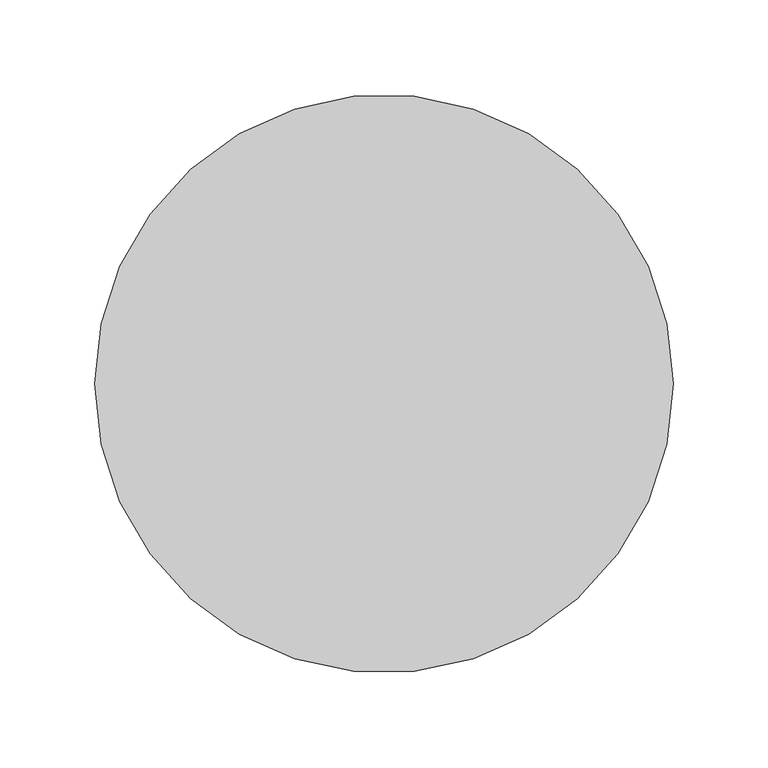
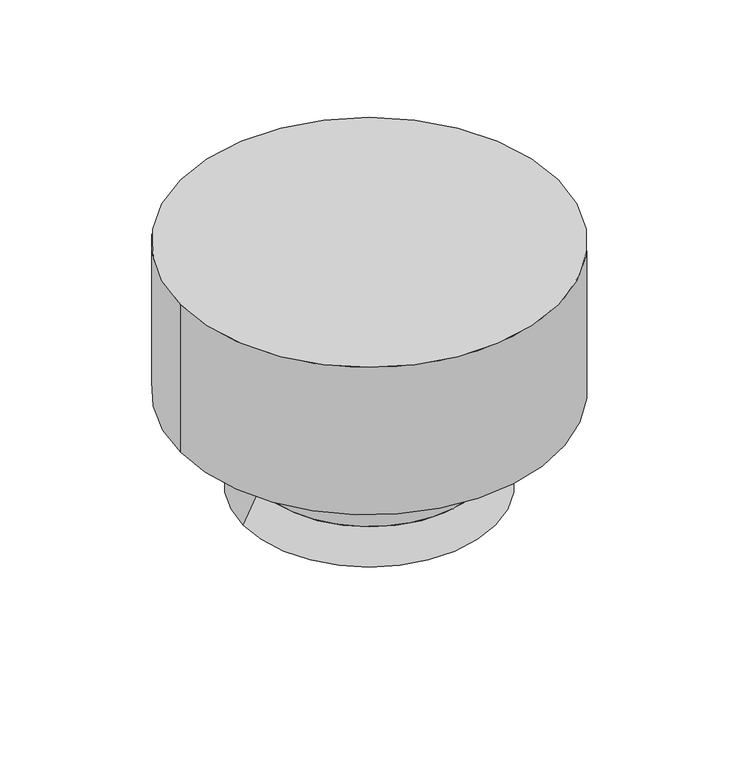
"""IFC4 building model written with IfcOpenShell, lengths in millimetres: proxy geometry."""

from ifc_helpers import new_model, si_unit, point, frame, origin, origin_2d, place, context, project, spatial, polyline, circle_curve, trimmed, segment, composite_curve, outline, extrude, source, transform, mapped, element, save
from ifc_brep_helpers import plane_surface, revolved_surface, advanced_brep


def generic_models_21384175(model_context):
    return source(origin(), model_context, "Body", "SolidModel", [
        extrude(outline(composite_curve([segment(trimmed(circle_curve(origin_2d(), 50.00625), [point((-50.00625, 0.0))], [point((50.00625, 0.0))], False, "CARTESIAN"), True, "CONTINUOUS"), segment(trimmed(circle_curve(origin_2d(), 50.00625), [point((50.00625, 0.0))], [point((-50.00625, 0.0))], False, "CARTESIAN"), True, "CONTINUOUS")], self_intersect=False)), frame((0.0, 0.0, -35.814), z_axis=(0.0, 0.0, 1.0), x_axis=(1.0, 0.0, 0.0)), (0.0, 0.0, 1.0), 35.814),
        advanced_brep(
        [(-88.9, 0.0, 25.4), (88.9, 0.0, 25.4), (-101.6, 0.0, 0.0), (101.6, 0.0, 0.0)],
        [
            (0, 1, circle_curve(frame((0.0, 0.0, 25.4), z_axis=(0.0, 0.0, 1.0), x_axis=(-1.0, 0.0, 0.0)), 88.9)),
            (1, 0, circle_curve(frame((0.0, 0.0, 25.4), z_axis=(0.0, 0.0, 1.0), x_axis=(1.0, 0.0, 0.0)), 88.9)),
            (2, 3, circle_curve(frame((0.0, 0.0, 0.0), z_axis=(0.0, 0.0, -1.0), x_axis=(1.0, 0.0, 0.0)), 101.6)),
            (3, 2, circle_curve(frame((0.0, 0.0, 0.0), z_axis=(0.0, 0.0, -1.0), x_axis=(-1.0, 0.0, 0.0)), 101.6)),
            (3, 1),
            (0, 2),
        ],
        [
            plane_surface(frame((0.0, 0.0, 25.4), z_axis=(0.0, 0.0, 1.0), x_axis=(0.0, -1.0, 0.0))),
            plane_surface(frame((0.0, 0.0, 0.0), z_axis=(0.0, 0.0, -1.0), x_axis=(0.0, -1.0, 0.0))),
            revolved_surface(polyline([(-88.89999999999999, 0.0, 25.400000000000006), (-101.6, 0.0, 0.0)]), (0.0, 0.0, 203.2), (0.0, 0.0, -1.0)),
            revolved_surface(polyline([(88.89999999999999, 0.0, 25.400000000000006), (101.6, 0.0, 0.0)]), (0.0, 0.0, 203.2), (0.0, 0.0, -1.0)),
        ],
        [
            (0, [[1, 2]]),
            (1, [[3, 4]]),
            (2, [[-4, 5, -1, 6]]),
            (3, [[-3, -6, -2, -5]]),
        ],
    ),
        extrude(outline(composite_curve([segment(trimmed(circle_curve(origin_2d(), 88.9), [point((-88.9, 0.0))], [point((88.9, 0.0))], False, "CARTESIAN"), True, "CONTINUOUS"), segment(trimmed(circle_curve(origin_2d(), 88.9), [point((88.9, 0.0))], [point((-88.9, 0.0))], False, "CARTESIAN"), True, "CONTINUOUS")], self_intersect=False)), frame((0.0, 0.0, 25.4), z_axis=(0.0, 0.0, 1.0), x_axis=(1.0, 0.0, 0.0)), (0.0, 0.0, 1.0), 54.61),
        extrude(outline(composite_curve([segment(trimmed(circle_curve(origin_2d(), 152.4), [point((-152.4, 0.0))], [point((152.4, 0.0))], False, "CARTESIAN"), True, "CONTINUOUS"), segment(trimmed(circle_curve(origin_2d(), 152.4), [point((152.4, 0.0))], [point((-152.4, 0.0))], False, "CARTESIAN"), True, "CONTINUOUS")], self_intersect=False)), frame((0.0, 0.0, 80.01), z_axis=(0.0, 0.0, 1.0), x_axis=(1.0, 0.0, 0.0)), (0.0, 0.0, 1.0), 125.984),
    ])


if __name__ == "__main__":
    model = new_model("IFC4")
    model_context = context("Model", 3, world=origin())
    ifc_project = project(units=[si_unit("LENGTHUNIT", "METRE", prefix="MILLI")], contexts=[model_context])
    site = spatial("IfcSite", under=ifc_project)
    building = spatial("IfcBuilding", under=site)
    placement = place(None, origin())
    generic_models_shape = generic_models_21384175(model_context)
    element("IfcBuildingElementProxy", 1, Name="Generic Models", at=placement, inside=building, context=model_context, shape_type="MappedRepresentation", body=[
        mapped(generic_models_shape, transform((0.0, 0.0, 0.0), x_axis=(1.0, 0.0, 0.0), y_axis=(0.0, 1.0, 0.0), z_axis=(0.0, 0.0, 1.0))),
    ])
    save(model, "model.ifc")
